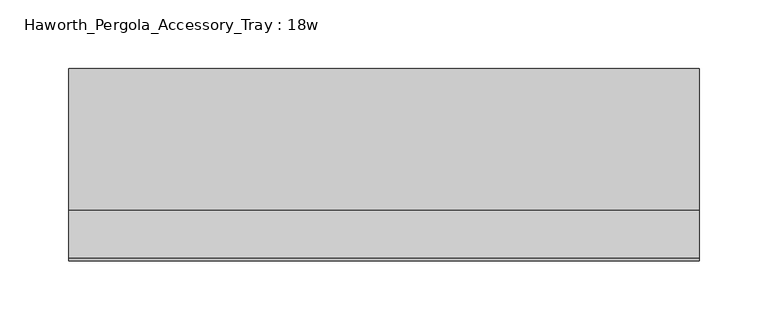
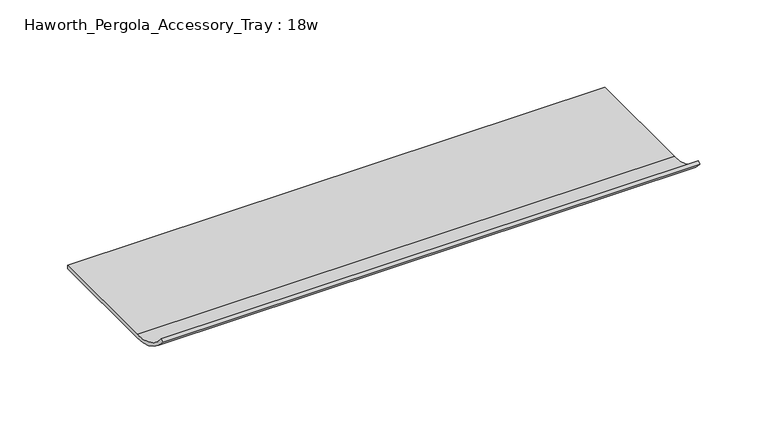
"""IFC4 building model written with IfcOpenShell, lengths in millimetres: furniture geometry, Haworth_Pergola_Accessory_Tray : 18w."""

import ifcopenshell
import ifcopenshell.guid

model = None  # the IFC model being written
_history = None  # IfcOwnerHistory: only IFC2X3 demands one
_inside = {}  # id of a spatial element -> (the spatial element, [elements in it])
_under = {}  # id of a project, library or spatial element -> (it, [spatial elements below it])
_declared = {}  # id of a project -> (the project, [libraries it declares])
_typed = {}  # id of a type object -> (the type object, [elements of that type])
_made_of = {}  # id of a material, layer set ... -> (it, [elements and type objects made of it])


def new_model(schema):
    """Start an empty IFC model of exactly this schema.

    Asked for "IFC4X3", IfcOpenShell would pick the latest addendum, in which some entities
    have other attributes; the version numbers below select the first issue.
    IFC2X3 requires an IfcOwnerHistory on every rooted entity: one is made here for all.
    """
    global model, _history
    if schema == "IFC4X3":
        model = ifcopenshell.file(schema_version=(4, 3, 0, 0))
    else:
        model = ifcopenshell.file(schema=schema)
    _inside.clear()
    _under.clear()
    _declared.clear()
    _typed.clear()
    _made_of.clear()
    _history = None
    if model.schema == "IFC2X3":
        org = make("IfcOrganization", Name="unknown")
        user = make(
            "IfcPersonAndOrganization",
            ThePerson=make("IfcPerson", FamilyName="unknown"),
            TheOrganization=org,
        )
        app = make(
            "IfcApplication",
            ApplicationDeveloper=org,
            Version="unknown",
            ApplicationFullName="unknown",
            ApplicationIdentifier="unknown",
        )
        _history = make(
            "IfcOwnerHistory",
            OwningUser=user,
            OwningApplication=app,
            ChangeAction="ADDED",
            CreationDate=0,
        )
    return model


def make(cls, **values):
    """One entity of the class cls with the attributes given. An attribute that is None is left unset."""
    return model.create_entity(
        cls, **{name: value for name, value in values.items() if value is not None}
    )


def rooted(cls, **values):
    """An entity with a GlobalId (a new one), such as an element, a storey or a relation."""
    return make(cls, GlobalId=ifcopenshell.guid.new(), OwnerHistory=_history, **values)


def si_unit(unit_type, name, prefix=None):
    """IfcSIUnit, for example si_unit("LENGTHUNIT", "METRE", prefix="MILLI")."""
    return make("IfcSIUnit", UnitType=unit_type, Prefix=prefix, Name=name)


def assignment(units):
    """IfcUnitAssignment: the units of a project."""
    return None if units is None else make("IfcUnitAssignment", Units=units)


def point(xyz):
    """IfcCartesianPoint."""
    return None if xyz is None else make("IfcCartesianPoint", Coordinates=xyz)


def direction(xyz):
    """IfcDirection."""
    return None if xyz is None else make("IfcDirection", DirectionRatios=xyz)


def frame(location, z_axis=None, x_axis=None):
    """IfcAxis2Placement3D, a coordinate frame: its origin and axes. An axis left out is left unset."""
    return make(
        "IfcAxis2Placement3D",
        Location=point(location),
        Axis=direction(z_axis),
        RefDirection=direction(x_axis),
    )


def frame_2d(location, x_axis=None):
    """IfcAxis2Placement2D, a coordinate frame in the plane: its origin and x axis."""
    return make(
        "IfcAxis2Placement2D", Location=point(location), RefDirection=direction(x_axis)
    )


def origin():
    """The frame at (0, 0, 0) with its axes left unset."""
    return frame((0.0, 0.0, 0.0))


def place(relative_to, where):
    """IfcLocalPlacement: puts the frame where relative to a parent placement (None: the world)."""
    return make(
        "IfcLocalPlacement", PlacementRelTo=relative_to, RelativePlacement=where
    )


def context(
    kind, dimensions, precision=None, world=None, true_north=None, identifier=None
):
    """IfcGeometricRepresentationContext, for example the 3D "Model" context."""
    return make(
        "IfcGeometricRepresentationContext",
        ContextIdentifier=identifier,
        ContextType=kind,
        CoordinateSpaceDimension=dimensions,
        Precision=precision,
        WorldCoordinateSystem=world,
        TrueNorth=true_north,
    )


def project(units=None, contexts=None):
    """IfcProject with its units and contexts."""
    return rooted(
        "IfcProject",
        Name="project",
        RepresentationContexts=contexts,
        UnitsInContext=assignment(units),
    )


def spatial(cls, under=None, at=None, **own):
    """A site, building, storey or space (cls), placed at a placement, below another one or the project."""
    s = rooted(cls, ObjectPlacement=at, **own)
    if under is not None:
        _under.setdefault(under.id(), (under, []))[1].append(s)
    return s


def polyline(points):
    """IfcPolyline through the points."""
    return make("IfcPolyline", Points=[point(p) for p in points])


def circle_curve(where, radius):
    """IfcCircle in the frame where."""
    return make("IfcCircle", Position=where, Radius=radius)


def trimmed(basis, trim1, trim2, sense, master):
    """IfcTrimmedCurve: the piece of a basis curve between two trims."""
    return make(
        "IfcTrimmedCurve",
        BasisCurve=basis,
        Trim1=trim1,
        Trim2=trim2,
        SenseAgreement=sense,
        MasterRepresentation=master,
    )


def segment(curve, same_sense, transition):
    """IfcCompositeCurveSegment."""
    return make(
        "IfcCompositeCurveSegment",
        Transition=transition,
        SameSense=same_sense,
        ParentCurve=curve,
    )


def composite_curve(segments, self_intersect=None):
    """IfcCompositeCurve: segments joined end to end."""
    return make("IfcCompositeCurve", Segments=segments, SelfIntersect=self_intersect)


def outline(outer, holes=None, kind="AREA"):
    """IfcArbitraryClosedProfileDef: a profile drawn as a closed curve; with holes, ...WithVoids."""
    if holes is None:
        return make("IfcArbitraryClosedProfileDef", ProfileType=kind, OuterCurve=outer)
    return make(
        "IfcArbitraryProfileDefWithVoids",
        ProfileType=kind,
        OuterCurve=outer,
        InnerCurves=holes,
    )


def extrude(swept, where, along, depth):
    """IfcExtrudedAreaSolid: the profile swept, set in the frame where, extruded along a direction by depth."""
    return make(
        "IfcExtrudedAreaSolid",
        SweptArea=swept,
        Position=where,
        ExtrudedDirection=direction(along),
        Depth=depth,
    )


def shape(context_of_items, identifier, shape_type, items):
    """IfcShapeRepresentation: the items that make up one representation, for example the "Body"."""
    return make(
        "IfcShapeRepresentation",
        ContextOfItems=context_of_items,
        RepresentationIdentifier=identifier,
        RepresentationType=shape_type,
        Items=items,
    )


def source(mapping_origin, context_of_items, identifier, shape_type, items):
    """IfcRepresentationMap: a shape defined once, which mapped items show again and again."""
    return make(
        "IfcRepresentationMap",
        MappingOrigin=mapping_origin,
        MappedRepresentation=shape(context_of_items, identifier, shape_type, items),
    )


def transform(
    local_origin,
    x_axis=None,
    y_axis=None,
    z_axis=None,
    scale=None,
    scale2=None,
    scale3=None,
    uniform=True,
):
    """IfcCartesianTransformationOperator3D, or its non-uniform kind. x_axis, y_axis, z_axis: its Axis1, 2, 3."""
    if uniform:
        return make(
            "IfcCartesianTransformationOperator3D",
            Axis1=direction(x_axis),
            Axis2=direction(y_axis),
            LocalOrigin=point(local_origin),
            Scale=scale,
            Axis3=direction(z_axis),
        )
    return make(
        "IfcCartesianTransformationOperator3DnonUniform",
        Axis1=direction(x_axis),
        Axis2=direction(y_axis),
        LocalOrigin=point(local_origin),
        Scale=scale,
        Axis3=direction(z_axis),
        Scale2=scale2,
        Scale3=scale3,
    )


def mapped(mapping_source, mapping_target):
    """IfcMappedItem: shows the shape of a source again, moved by a transform."""
    return make(
        "IfcMappedItem", MappingSource=mapping_source, MappingTarget=mapping_target
    )


def made_of(thing, what):
    """Note that an element or type object is made of a material, layer set ...; save() writes the relation."""
    if what is not None:
        _made_of.setdefault(what.id(), (what, []))[1].append(thing)
    return thing


def element(
    cls,
    number,
    at=None,
    inside=None,
    cuts=None,
    type_object=None,
    material=None,
    context=None,
    identifier="Body",
    shape_type=None,
    held_by="IfcProductDefinitionShape",
    body=None,
    shapes=None,
    **own,
):
    """One element of the class cls, such as IfcWall. Its Tag is "e" and its number.

    at: its placement. inside: the storey or other place that contains it. cuts: it is an
    opening in that element (IfcRelVoidsElement). A single representation is given by context,
    identifier, shape_type and body (its items); several are given by shapes. held_by: the class
    of the entity that holds the representations. save() writes the other relations.
    """
    e = rooted(cls, Tag="e%d" % number, ObjectPlacement=at, **own)
    if body is not None:
        shapes = [shape(context, identifier, shape_type, body)]
    if shapes is not None:
        e.Representation = make(held_by, Representations=shapes)
    if inside is not None:
        _inside.setdefault(inside.id(), (inside, []))[1].append(e)
    if cuts is not None:
        rooted(
            "IfcRelVoidsElement", RelatingBuildingElement=cuts, RelatedOpeningElement=e
        )
    if type_object is not None:
        _typed.setdefault(type_object.id(), (type_object, []))[1].append(e)
    return made_of(e, material)


def aggregate(whole, parts):
    """IfcRelAggregates: a whole, such as a stair, and the parts it consists of."""
    return rooted("IfcRelAggregates", RelatingObject=whole, RelatedObjects=parts)


def save(model, path):
    """Write the relations noted so far, then the file.

    IfcRelAggregates (storeys below a building ...), IfcRelContainedInSpatialStructure (elements
    in a storey), IfcRelDefinesByType, IfcRelAssociatesMaterial and IfcRelDeclares: one each for
    every whole, place, type object, material and project.
    """
    for whole, parts in _under.values():
        aggregate(whole, parts)
    for where, things in _inside.values():
        rooted(
            "IfcRelContainedInSpatialStructure",
            RelatedElements=things,
            RelatingStructure=where,
        )
    for kind, things in _typed.values():
        rooted("IfcRelDefinesByType", RelatedObjects=things, RelatingType=kind)
    for what, things in _made_of.values():
        rooted("IfcRelAssociatesMaterial", RelatedObjects=things, RelatingMaterial=what)
    for by, libraries in _declared.values():
        rooted("IfcRelDeclares", RelatingContext=by, RelatedDefinitions=libraries)
    model.write(path)


def haworth_pergola_accessory_tray_18w_457dac62(model_context):
    return source(origin(), model_context, "Body", "SweptSolid", [
        extrude(outline(composite_curve([segment(polyline([(249.4228671, 1003.3047625), (249.4228671, 1000.3282), (146.8537349, 1000.3282)]), True, "CONTINUOUS"), segment(trimmed(circle_curve(frame_2d((146.8537349, 1046.6372829)), 46.3090829), [point((146.8537349, 1000.3282))], [point((109.8323902, 1018.8173045))], False, "CARTESIAN"), True, "CONTINUOUS"), segment(polyline([(109.8323902, 1018.8173045), (111.7841541, 1020.7690684)]), True, "CONTINUOUS"), segment(trimmed(circle_curve(frame_2d((146.8538064, 1047.2481777)), 43.9434152), [point((111.7841541, 1020.7690684))], [point((146.8538064, 1003.3047625))], True, "CARTESIAN"), True, "CONTINUOUS"), segment(polyline([(146.8538064, 1003.3047625), (249.4228671, 1003.3047625)]), True, "CONTINUOUS")], self_intersect=False)), frame((99.0179615, 0.0, 0.0), z_axis=(1.0, 0.0, 0.0), x_axis=(0.0, 1.0, 0.0)), (0.0, 0.0, 1.0), 457.2),
    ])


if __name__ == "__main__":
    model = new_model("IFC4")
    model_context = context("Model", 3, world=origin())
    ifc_project = project(units=[si_unit("LENGTHUNIT", "METRE", prefix="MILLI")], contexts=[model_context])
    site = spatial("IfcSite", under=ifc_project)
    building = spatial("IfcBuilding", under=site)
    placement = place(None, origin())
    haworth_pergola_accessory_tray_18w_shape = haworth_pergola_accessory_tray_18w_457dac62(model_context)
    element("IfcFurniture", 1, ObjectType="Haworth_Pergola_Accessory_Tray : 18w", at=placement, inside=building, context=model_context, shape_type="MappedRepresentation", body=[
        mapped(haworth_pergola_accessory_tray_18w_shape, transform((0.0, 0.0, 0.0), x_axis=(1.0, 0.0, 0.0), y_axis=(0.0, 1.0, 0.0), z_axis=(0.0, 0.0, 1.0))),
    ])
    save(model, "model.ifc")
